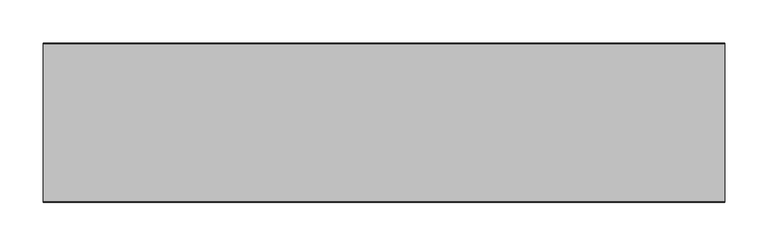
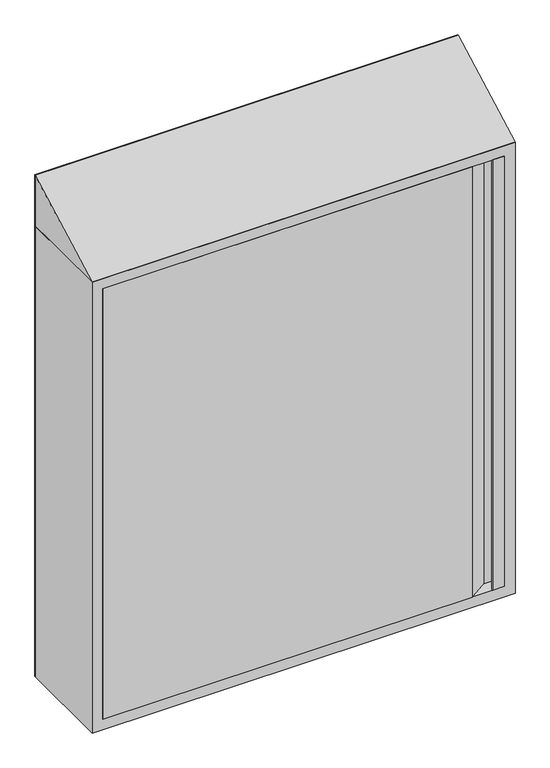
"""IFC4 building model written with IfcOpenShell, lengths in millimetres: fire suppression terminal geometry."""

from ifc_helpers import new_model, si_unit, point, frame, frame_2d, origin, place, context, project, spatial, polyline, circle_curve, trimmed, segment, composite_curve, outline, extrude, faceted_brep, source, transform, mapped, element, save


def fire_suppression_terminal_66e07c43(model_context):
    return source(origin(), model_context, "Body", "SolidModel", [
        extrude(outline(composite_curve([segment(trimmed(circle_curve(frame_2d((-355.1374166, -354.9676042)), 3.007614), [point((-352.1298027, -354.9676042))], [point((-358.1450306, -354.9676042))], False, "CARTESIAN"), True, "CONTINUOUS"), segment(trimmed(circle_curve(frame_2d((-355.1374166, -354.9676042)), 3.007614), [point((-358.1450306, -354.9676042))], [point((-352.1298027, -354.9676042))], False, "CARTESIAN"), True, "CONTINUOUS")], self_intersect=False)), frame((0.0, -20.0, 0.0), z_axis=(0.0, 1.0, 0.0), x_axis=(0.0, 0.0, 1.0)), (0.0, 0.0, 1.0), 15.0),
        extrude(outline(polyline([(353.0, -185.0), (353.0, -182.0), (354.5, -182.0), (354.5, -183.5), (373.5, -183.5), (373.5, -161.5), (350.0, -161.5), (315.0, -185.0), (-375.0, -185.0), (-375.0, -160.0), (-373.5, -160.0), (-373.5, -183.5), (314.5431419, -183.5), (349.5431419, -160.0), (375.0, -160.0), (375.0, -185.0), (353.0, -185.0)])), frame((0.0, 0.0, -425.0), z_axis=(0.0, 0.0, 1.0), x_axis=(1.0, 0.0, 0.0)), (0.0, 0.0, 1.0), 850.0),
        faceted_brep([(-375.0, -160.0, 425.0), (-375.0, -185.0, 425.0), (-375.0, -185.0, -425.0), (-375.0, -160.0, -425.0), (-376.5, -183.5, 426.5), (-376.5, -160.0, 426.5), (-376.5, -160.0, -426.5), (-376.5, -183.5, -426.5), (-393.5, -1.5, 443.5), (-393.5, -183.5, 443.5), (-393.5, -183.5, -443.5), (-393.5, -1.5, -443.5), (-375.0, 0.0, 425.0), (-375.0, -1.5, 425.0), (-375.0, -1.5, -425.0), (-375.0, 0.0, -425.0), (-395.0, -185.0, 445.0), (-395.0, 0.0, 445.0), (-395.0, 0.0, -445.0), (-395.0, -185.0, -445.0), (375.0, -185.0, -425.0), (375.0, -160.0, -425.0), (376.5, -160.0, -426.5), (376.5, -183.5, -426.5), (393.5, -183.5, -443.5), (393.5, -1.5, -443.5), (375.0, -1.5, -425.0), (375.0, 0.0, -425.0), (395.0, 0.0, -445.0), (395.0, -185.0, -445.0), (375.0, -185.0, 425.0), (375.0, -160.0, 425.0), (376.5, -160.0, 426.5), (376.5, -183.5, 426.5), (393.5, -183.5, 443.5), (393.5, -1.5, 443.5), (375.0, -1.5, 425.0), (375.0, 0.0, 425.0), (395.0, 0.0, 445.0), (395.0, -185.0, 445.0)], [[[0, 1, 2, 3]], [[4, 5, 6, 7]], [[8, 9, 10, 11]], [[12, 13, 14, 15]], [[16, 17, 18, 19]], [[3, 2, 20, 21]], [[7, 6, 22, 23]], [[11, 10, 24, 25]], [[15, 14, 26, 27]], [[19, 18, 28, 29]], [[21, 20, 30, 31]], [[23, 22, 32, 33]], [[25, 24, 34, 35]], [[27, 26, 36, 37]], [[29, 28, 38, 39]], [[1, 0, 31, 30]], [[6, 5, 32, 22], [0, 3, 21, 31]], [[5, 4, 33, 32]], [[10, 9, 34, 24], [4, 7, 23, 33]], [[9, 8, 35, 34]], [[8, 11, 25, 35], [14, 13, 36, 26]], [[13, 12, 37, 36]], [[18, 17, 38, 28], [12, 15, 27, 37]], [[17, 16, 39, 38]], [[16, 19, 29, 39], [2, 1, 30, 20]]]),
        extrude(outline(polyline([(-1.5, 545.0), (0.0, 545.0), (0.0, 445.0), (-185.0, 445.0), (-1.5, 545.0)])), frame((-395.0, 0.0, 0.0), z_axis=(1.0, 0.0, 0.0), x_axis=(0.0, 1.0, 0.0)), (0.0, 0.0, 1.0), 790.0),
        extrude(outline(polyline([(545.0, 395.0), (545.0, -395.0), (-445.0, -395.0), (-445.0, 395.0), (545.0, 395.0)]), holes=[composite_curve([segment(trimmed(circle_curve(frame_2d((-355.1374166, -354.9676042)), 18.5), [point((-355.1374166, -373.4676042))], [point((-355.1374166, -336.4676042))], True, "CARTESIAN"), True, "CONTINUOUS"), segment(trimmed(circle_curve(frame_2d((-355.1374166, -354.9676042)), 18.5), [point((-355.1374166, -336.4676042))], [point((-355.1374166, -373.4676042))], True, "CARTESIAN"), True, "CONTINUOUS")], self_intersect=False)]), frame((0.0, -1.5, 0.0), z_axis=(0.0, 1.0, 0.0), x_axis=(0.0, 0.0, 1.0)), (0.0, 0.0, 1.0), 1.5),
    ])


if __name__ == "__main__":
    model = new_model("IFC4")
    model_context = context("Model", 3, world=origin())
    ifc_project = project(units=[si_unit("LENGTHUNIT", "METRE", prefix="MILLI")], contexts=[model_context])
    site = spatial("IfcSite", under=ifc_project)
    building = spatial("IfcBuilding", under=site)
    placement = place(None, origin())
    fire_suppression_terminal_shape = fire_suppression_terminal_66e07c43(model_context)
    element("IfcFireSuppressionTerminal", 1, at=placement, inside=building, context=model_context, shape_type="MappedRepresentation", body=[
        mapped(fire_suppression_terminal_shape, transform((0.0, 0.0, 0.0), x_axis=(1.0, 0.0, 0.0), y_axis=(0.0, 1.0, 0.0), z_axis=(0.0, 0.0, 1.0))),
    ])
    save(model, "model.ifc")
